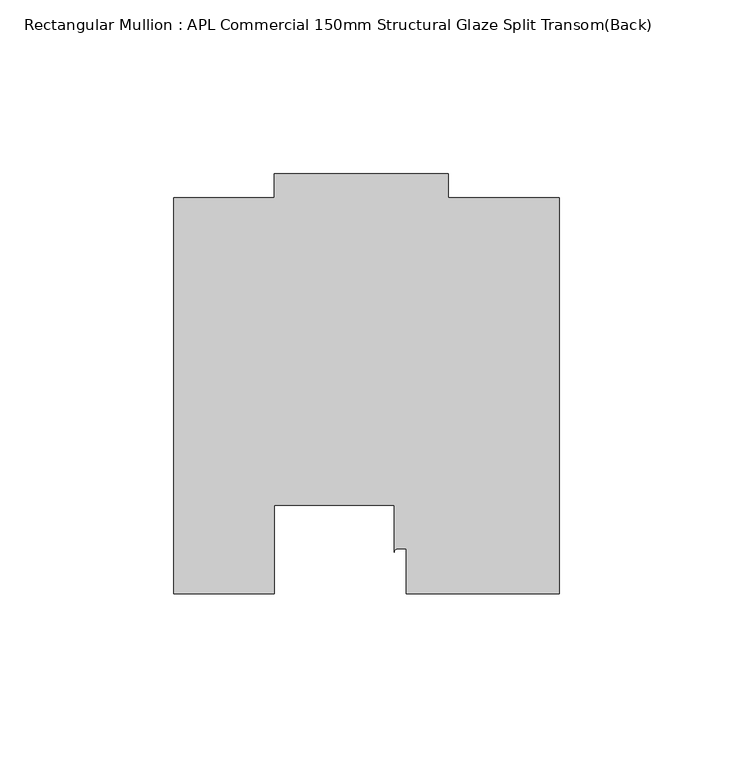
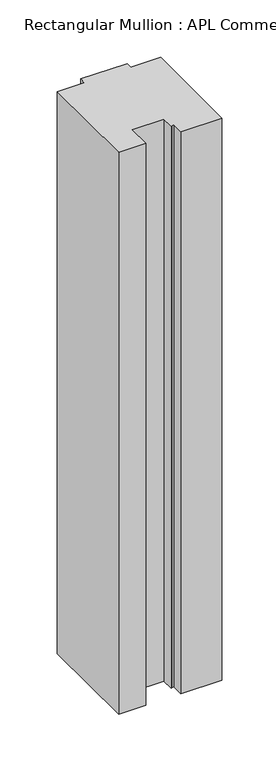
"""IFC4 building model written with IfcOpenShell, lengths in millimetres: member geometry, Rectangular Mullion : APL Commercial 150mm Structural Glaze Split Transom(Back)."""

from ifc_helpers import new_model, si_unit, point, frame, frame_2d, origin, place, context, project, spatial, polyline, circle_curve, trimmed, segment, composite_curve, outline, extrude, source, transform, mapped, element, save


def rectangular_mullion_apl_commercial_150mm_structural_glaze_5adc63bb(model_context):
    return source(origin(), model_context, "Body", "SweptSolid", [
        extrude(outline(composite_curve([segment(polyline([(54.0000029, 15.0004617), (10.0000029, 15.0004617), (10.0000029, 28.0002131), (7.5000029, 28.0002131)]), True, "CONTINUOUS"), segment(trimmed(circle_curve(frame_2d((7.5000029, 27.0002131)), 1.0), [point((7.5000029, 28.0002131))], [point((6.5000029, 27.0002131))], True, "CARTESIAN"), True, "CONTINUOUS"), segment(polyline([(6.5000029, 27.0002131), (6.5000029, 40.499932), (-28.0000482, 40.499932), (-28.0000482, 15.0001793), (-57.0000004, 15.0001793), (-57.0000004, 129.0002765), (-27.9971154, 129.0002765), (-27.9971154, 136.0003326), (22.0028846, 136.0003326), (22.0028846, 129.0003326), (54.0000029, 129.0003326), (54.0000029, 15.0004617)]), True, "CONTINUOUS")], self_intersect=False)), frame((0.0, 0.0, -638.9872059), z_axis=(0.0, 0.0, 1.0), x_axis=(1.0, 0.0, 0.0)), (0.0, 0.0, 1.0), 638.9872059),
    ])


if __name__ == "__main__":
    model = new_model("IFC4")
    model_context = context("Model", 3, world=origin())
    ifc_project = project(units=[si_unit("LENGTHUNIT", "METRE", prefix="MILLI")], contexts=[model_context])
    site = spatial("IfcSite", under=ifc_project)
    building = spatial("IfcBuilding", under=site)
    placement = place(None, origin())
    rectangular_mullion_apl_commercial_150mm_structural_glaze_shape = rectangular_mullion_apl_commercial_150mm_structural_glaze_5adc63bb(model_context)
    element("IfcMember", 1, ObjectType="Rectangular Mullion : APL Commercial 150mm Structural Glaze Split Transom(Back)", at=placement, inside=building, context=model_context, shape_type="MappedRepresentation", body=[
        mapped(rectangular_mullion_apl_commercial_150mm_structural_glaze_shape, transform((0.0, 0.0, 0.0), x_axis=(1.0, 0.0, 0.0), y_axis=(0.0, 1.0, 0.0), z_axis=(0.0, 0.0, 1.0))),
    ])
    save(model, "model.ifc")
